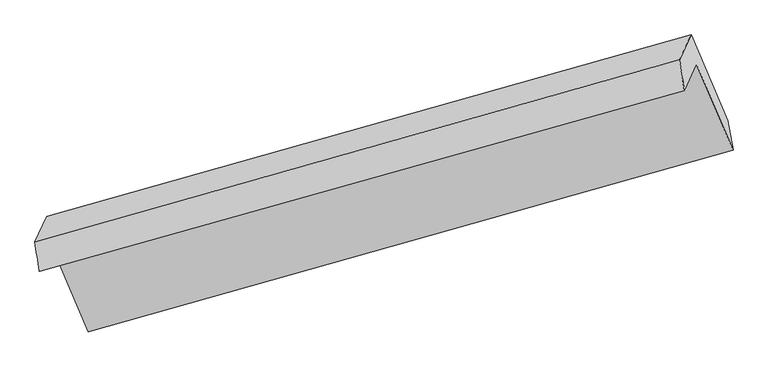
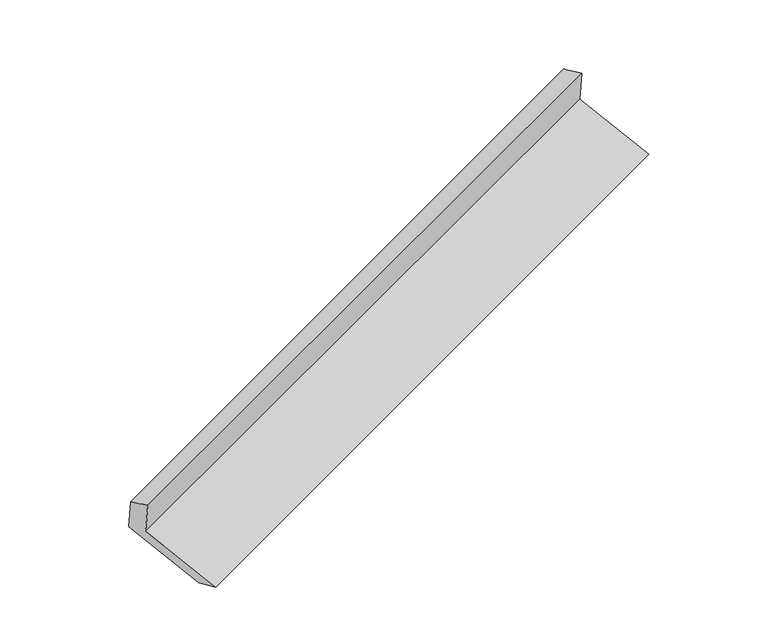
"""IFC4 building model written with IfcOpenShell, lengths in millimetres: proxy geometry."""

from ifc_helpers import new_model, si_unit, frame, origin, place, context, project, spatial, source, transform, mapped, element, save
from ifc_brep_helpers import plane_surface, spline_surface, advanced_brep


def generic_models_c7187a29(model_context):
    return source(origin(), model_context, "Body", "AdvancedBrep", [
        advanced_brep(
        [(-5127.5721397, -2130.0541059, 1498.1528697), (-5046.5389416, -1955.7812283, 1138.9233426), (-753.2782294, -751.9773743, 2691.3764826), (-834.3114275, -926.2502519, 3050.6060097), (-5155.4845835, -1934.0629227, 1421.381826), (-865.9170464, -721.5980715, 2977.2035841), (-5076.4403673, -1764.0676202, 1070.9696852), (-788.8618121, -555.8803442, 2635.6088297), (-4829.2705958, -2343.7142998, 845.5212416), (-545.3852156, -1126.8660267, 2413.5290042), (-4799.3691701, -2535.4279079, 913.474899), (-509.801633, -1322.9630568, 2469.2966571)],
        [
            (0, 1),
            (1, 2),
            (2, 3),
            (3, 0),
            (4, 0),
            (3, 5),
            (5, 4),
            (6, 4),
            (5, 7),
            (7, 6),
            (8, 6),
            (7, 9),
            (9, 8),
            (10, 8),
            (9, 11),
            (11, 10),
            (1, 10),
            (11, 2),
        ],
        [
            plane_surface(frame((-5087.0555407, -2042.9176671, 1318.5381062), z_axis=(0.3654688318019946, -0.8671875498385899, -0.33825772184272307), x_axis=(0.19889818653159386, 0.42775751337447293, -0.8817386353938059))),
            spline_surface(1, 1, [[(-5155.4845835, -1934.0629227, 1421.381826), (-865.9170464, -721.5980715, 2977.2035841)], [(-5127.5721397, -2130.0541059, 1498.1528697), (-834.3114275, -926.2502519, 3050.6060097)]], [2, 2], [2, 2], [0.0, 1.0], [0.0, 1.0]),
            plane_surface(frame((-5115.9624754, -1849.0652714, 1246.1757556), z_axis=(-0.3673939845099424, 0.8666455739107642, 0.3375605269678172), x_axis=(-0.19889818653159363, -0.42775751337447254, 0.8817386353938061))),
            plane_surface(frame((-4952.8554816, -2053.89096, 958.2454634), z_axis=(0.20082043380960815, 0.42830436524282023, -0.8810371865468938), x_axis=(-0.369317506327583, 0.8660997052685084, 0.3368618115099703))),
            spline_surface(1, 1, [[(-4799.3691701, -2535.4279079, 913.474899), (-509.801633, -1322.9630568, 2469.2966571)], [(-4829.2705958, -2343.7142998, 845.5212416), (-545.3852156, -1126.8660267, 2413.5290042)]], [2, 2], [2, 2], [0.0, 1.0], [0.0, 1.0]),
            plane_surface(frame((-4922.9540559, -2245.6045681, 1026.1991208), z_axis=(-0.1988981865315977, -0.4277575133744657, 0.8817386353938088), x_axis=(0.3693175063275772, -0.8660997052685104, -0.3368618115099715))),
            plane_surface(frame((-716.2592273, -900.9225209, 2706.2700946), z_axis=(0.9077687430807576, 0.25864031063524584, 0.330243998885802), x_axis=(-0.369317506327583, 0.8660997052685084, 0.3368618115099703))),
            plane_surface(frame((-5005.7792997, -2110.5180141, 1148.070644), z_axis=(-0.9077687430807669, -0.25864031063522375, -0.3302439988857933), x_axis=(-0.19889818653159344, -0.42775751337447276, 0.8817386353938061))),
        ],
        [
            (0, [[1, 2, 3, 4]]),
            (1, [[5, -4, 6, 7]]),
            (2, [[8, -7, 9, 10]]),
            (3, [[11, -10, 12, 13]]),
            (4, [[14, -13, 15, 16]]),
            (5, [[17, -16, 18, -2]]),
            (6, [[-12, -9, -6, -3, -18, -15]]),
            (7, [[-1, -5, -8, -11, -14, -17]]),
        ],
    ),
    ])


if __name__ == "__main__":
    model = new_model("IFC4")
    model_context = context("Model", 3, world=origin())
    ifc_project = project(units=[si_unit("LENGTHUNIT", "METRE", prefix="MILLI")], contexts=[model_context])
    site = spatial("IfcSite", under=ifc_project)
    building = spatial("IfcBuilding", under=site)
    placement = place(None, origin())
    generic_models_shape = generic_models_c7187a29(model_context)
    element("IfcBuildingElementProxy", 1, Name="Generic Models", at=placement, inside=building, context=model_context, shape_type="MappedRepresentation", body=[
        mapped(generic_models_shape, transform((0.0, 0.0, 0.0), x_axis=(1.0, 0.0, 0.0), y_axis=(0.0, 1.0, 0.0), z_axis=(0.0, 0.0, 1.0))),
    ])
    save(model, "model.ifc")
